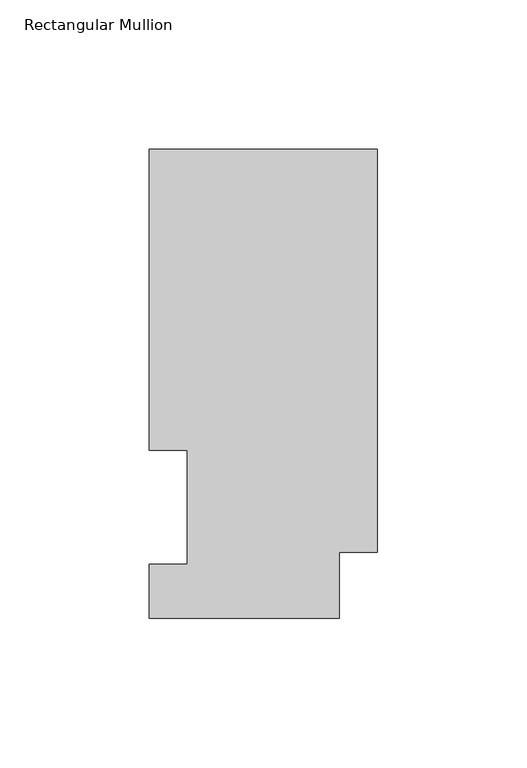
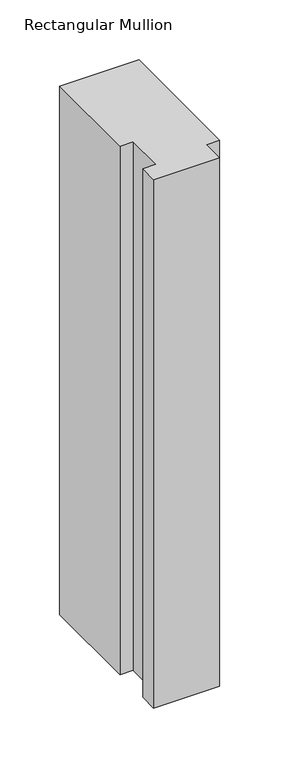
"""IFC4 building model written with IfcOpenShell, lengths in millimetres: member geometry, Rectangular Mullion."""

from ifc_helpers import new_model, si_unit, frame, origin, place, context, project, spatial, polyline, outline, extrude, source, transform, mapped, element, save


def rectangular_mullion_c489c45b(model_context):
    return source(origin(), model_context, "Body", "SweptSolid", [
        extrude(outline(polyline([(0.0, 157.3397822), (0.0, 22.6195299), (-12.7, 22.6195299), (-12.7, 0.5199062), (-76.2, 0.5199062), (-76.2, 18.5539062), (-63.5762, 18.5539062), (-63.5762, 56.6539063), (-76.2, 56.6539062), (-76.2, 157.3397822), (0.0, 157.3397822)])), frame((0.0, 0.0, -538.1612992), z_axis=(0.0, 0.0, 1.0), x_axis=(1.0, 0.0, 0.0)), (0.0, 0.0, 1.0), 538.1612992),
    ])


if __name__ == "__main__":
    model = new_model("IFC4")
    model_context = context("Model", 3, world=origin())
    ifc_project = project(units=[si_unit("LENGTHUNIT", "METRE", prefix="MILLI")], contexts=[model_context])
    site = spatial("IfcSite", under=ifc_project)
    building = spatial("IfcBuilding", under=site)
    placement = place(None, origin())
    rectangular_mullion_shape = rectangular_mullion_c489c45b(model_context)
    element("IfcMember", 1, ObjectType="Rectangular Mullion", at=placement, inside=building, context=model_context, shape_type="MappedRepresentation", body=[
        mapped(rectangular_mullion_shape, transform((0.0, 0.0, 0.0), x_axis=(1.0, 0.0, 0.0), y_axis=(0.0, 1.0, 0.0), z_axis=(0.0, 0.0, 1.0))),
    ])
    save(model, "model.ifc")
